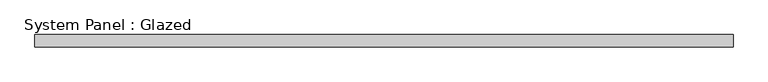
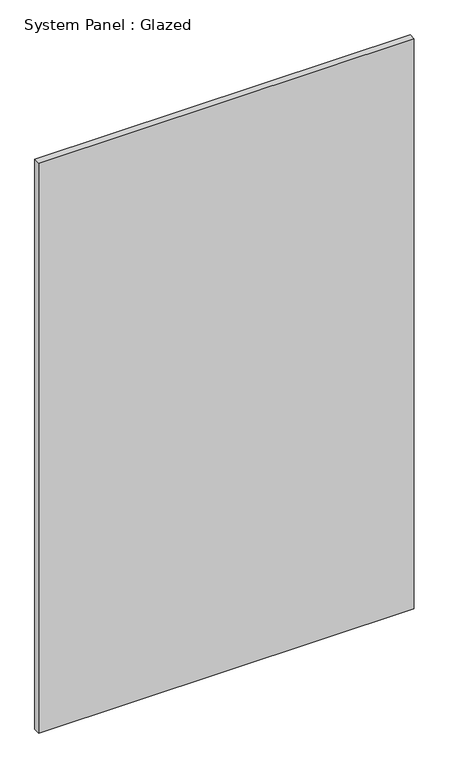
"""IFC4 building model written with IfcOpenShell, lengths in millimetres: plate geometry, System Panel : Glazed."""

from ifc_helpers import new_model, si_unit, origin, origin_with_axes, place, context, project, spatial, polyline, outline, extrude, source, transform, mapped, element, save


def system_panel_glazed_2e67aaa8(model_context):
    return source(origin(), model_context, "Body", "SweptSolid", [
        extrude(outline(polyline([(730.25, 19.05), (-730.25, 19.05), (-730.25, 44.45), (730.25, 44.45), (730.25, 19.05)])), origin_with_axes(), (0.0, 0.0, 1.0), 2343.15),
    ])


if __name__ == "__main__":
    model = new_model("IFC4")
    model_context = context("Model", 3, world=origin())
    ifc_project = project(units=[si_unit("LENGTHUNIT", "METRE", prefix="MILLI")], contexts=[model_context])
    site = spatial("IfcSite", under=ifc_project)
    building = spatial("IfcBuilding", under=site)
    placement = place(None, origin())
    system_panel_glazed_shape = system_panel_glazed_2e67aaa8(model_context)
    element("IfcPlate", 1, ObjectType="System Panel : Glazed", at=placement, inside=building, context=model_context, shape_type="MappedRepresentation", body=[
        mapped(system_panel_glazed_shape, transform((0.0, 0.0, 0.0), x_axis=(1.0, 0.0, 0.0), y_axis=(0.0, 1.0, 0.0), z_axis=(0.0, 0.0, 1.0))),
    ])
    save(model, "model.ifc")
